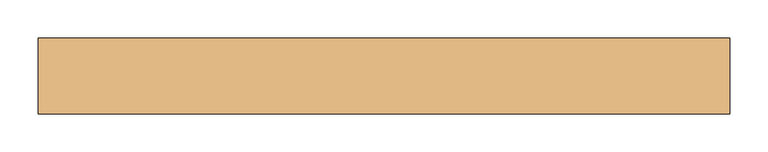
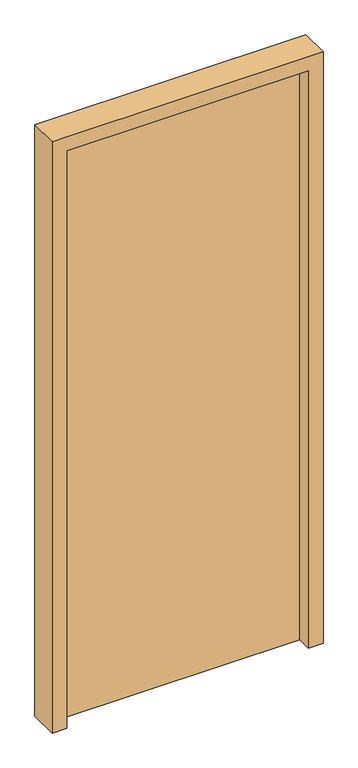
"""IFC4 building model written with IfcOpenShell, lengths in millimetres: door geometry."""

from ifc_helpers import new_model, si_unit, frame, origin, origin_with_axes, place, context, project, spatial, polyline, outline, extrude, source, transform, mapped, element, save


def door_d1c1a40c(model_context):
    return source(origin(), model_context, "Body", "SweptSolid", [
        extrude(outline(polyline([(-405.0, 50.0), (405.0, 50.0), (405.0, 0.0), (-405.0, 0.0), (-405.0, 50.0)])), origin_with_axes(), (0.0, 0.0, 1.0), 2050.0),
        extrude(outline(polyline([(0.0, -455.0), (0.0, -405.0), (2050.0, -405.0), (2050.0, 405.0), (0.0, 405.0), (0.0, 455.0), (2100.0, 455.0), (2100.0, -455.0), (0.0, -455.0)])), frame((0.0, -50.0, 0.0), z_axis=(0.0, 1.0, 0.0), x_axis=(0.0, 0.0, 1.0)), (0.0, 0.0, 1.0), 100.0),
    ])


if __name__ == "__main__":
    model = new_model("IFC4")
    model_context = context("Model", 3, world=origin())
    ifc_project = project(units=[si_unit("LENGTHUNIT", "METRE", prefix="MILLI")], contexts=[model_context])
    site = spatial("IfcSite", under=ifc_project)
    building = spatial("IfcBuilding", under=site)
    placement = place(None, origin())
    door_shape = door_d1c1a40c(model_context)
    element("IfcDoor", 1, at=placement, inside=building, context=model_context, shape_type="MappedRepresentation", body=[
        mapped(door_shape, transform((0.0, 0.0, 0.0), x_axis=(1.0, 0.0, 0.0), y_axis=(0.0, 1.0, 0.0), z_axis=(0.0, 0.0, 1.0))),
    ])
    save(model, "model.ifc")
